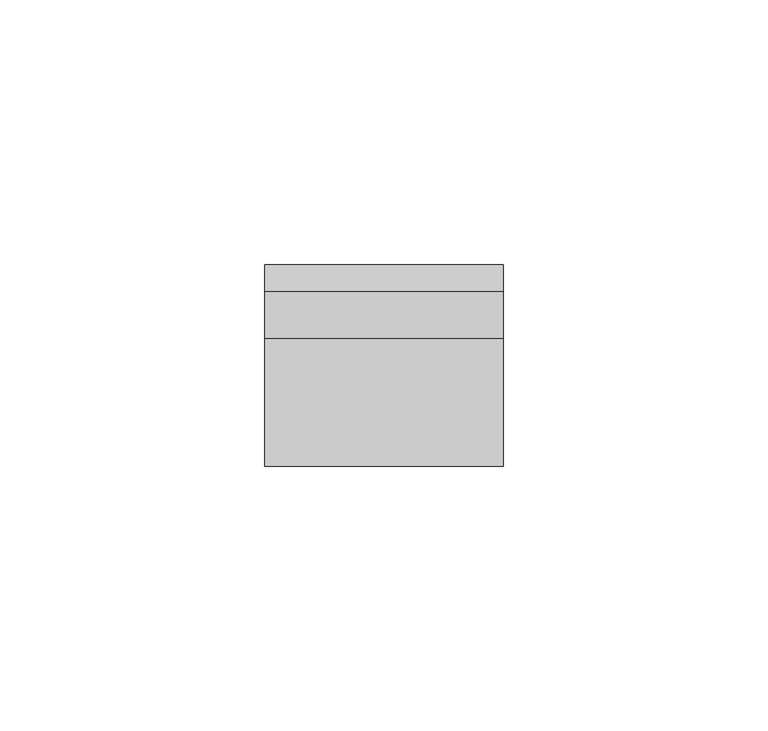
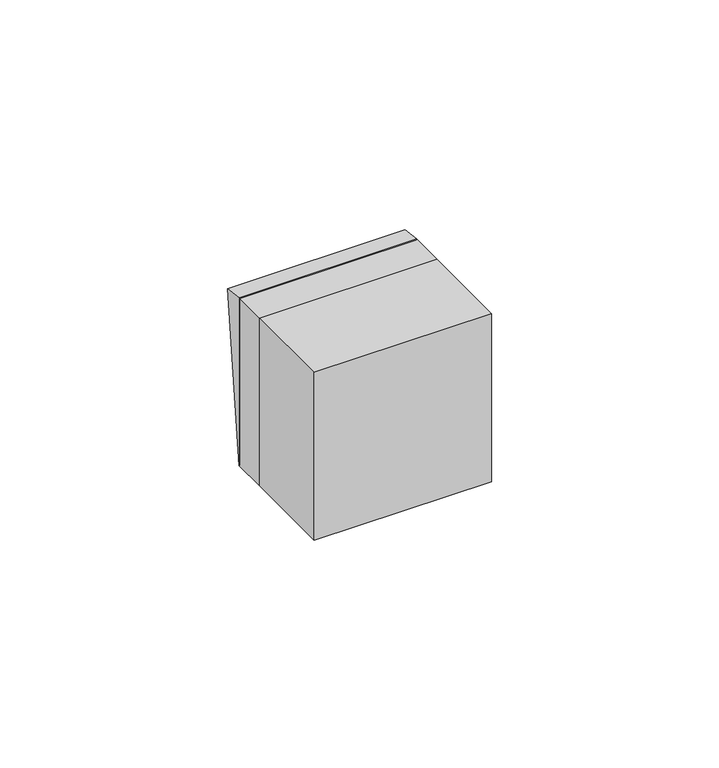
"""IFC4 building model written with IfcOpenShell, lengths in millimetres: switching device geometry."""

from ifc_helpers import new_model, si_unit, frame, origin, place, context, project, spatial, polyline, outline, extrude, faceted_brep, source, transform, mapped, element, save


def switching_device_39ad1cb2(model_context):
    return source(origin(), model_context, "Body", "SolidModel", [
        extrude(outline(polyline([(0.0, -2.0), (0.0, 0.0), (0.9999999, 0.0), (0.9999999, -2.0), (0.0, -2.0)])), frame((1.0, 11.2452249, -2.4844182), z_axis=(0.0, 0.11147470448260206, 0.9937672716790972), x_axis=(0.0, -0.9937672716790972, 0.11147470448260206)), (0.0, 0.0, 1.0), 5.0),
        faceted_brep([(22.5, 9.0, -22.5), (22.5, 13.9850961, 21.9408026), (22.5, 9.0, 22.5), (-22.5, 9.0, -22.5), (-22.5, 9.0, 22.5), (-22.5, 13.9850961, 21.9408026), (1.0, 11.2452249, -2.4844182), (1.0, 11.8025985, 2.4844182), (-1.0, 11.8025985, 2.4844182), (-1.0, 11.2452249, -2.4844182), (1.0, 10.2514577, -2.3729435), (-1.0, 10.2514577, -2.3729435), (-1.0, 10.8088312, 2.5958929), (1.0, 10.8088312, 2.5958929)], [[[0, 1, 2]], [[3, 4, 5]], [[1, 0, 3, 5], [6, 7, 8, 9]], [[2, 1, 5, 4]], [[0, 2, 4, 3]], [[10, 11, 12, 13]], [[10, 13, 7, 6]], [[13, 12, 8, 7]], [[12, 11, 9, 8]], [[11, 10, 6, 9]]]),
        extrude(outline(polyline([(22.5, -24.0), (-22.5, -24.0), (-22.5, 0.0), (22.5, 0.0), (22.5, -24.0)])), frame((0.0, 0.0, -22.5), z_axis=(0.0, 0.0, 1.0), x_axis=(1.0, 0.0, 0.0)), (0.0, 0.0, 1.0), 45.0),
        extrude(outline(polyline([(22.5, 0.0), (-22.5, 0.0), (-22.5, 9.0), (22.5, 9.0), (22.5, 0.0)])), frame((0.0, 0.0, -22.5), z_axis=(0.0, 0.0, 1.0), x_axis=(1.0, 0.0, 0.0)), (0.0, 0.0, 1.0), 45.0),
    ])


if __name__ == "__main__":
    model = new_model("IFC4")
    model_context = context("Model", 3, world=origin())
    ifc_project = project(units=[si_unit("LENGTHUNIT", "METRE", prefix="MILLI")], contexts=[model_context])
    site = spatial("IfcSite", under=ifc_project)
    building = spatial("IfcBuilding", under=site)
    placement = place(None, origin())
    switching_device_shape = switching_device_39ad1cb2(model_context)
    element("IfcSwitchingDevice", 1, at=placement, inside=building, context=model_context, shape_type="MappedRepresentation", body=[
        mapped(switching_device_shape, transform((0.0, 0.0, 0.0), x_axis=(1.0, 0.0, 0.0), y_axis=(0.0, 1.0, 0.0), z_axis=(0.0, 0.0, 1.0))),
    ])
    save(model, "model.ifc")
